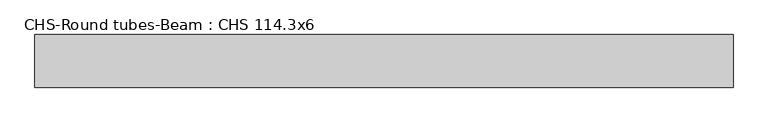
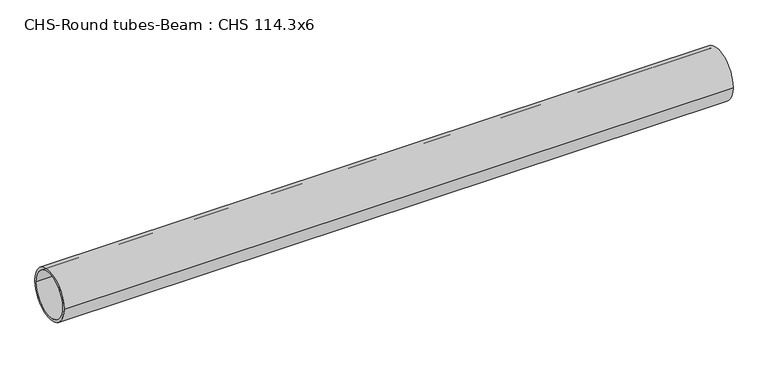
"""IFC4 building model written with IfcOpenShell, lengths in millimetres: beam geometry, CHS-Round tubes-Beam : CHS 114.3x6."""

from ifc_helpers import new_model, si_unit, point, frame, origin, origin_2d, place, context, project, spatial, circle_curve, trimmed, segment, composite_curve, outline, extrude, source, transform, mapped, element, save


def chs_round_tubes_beam_chs_114_3x6_d40c1f60(model_context):
    return source(origin(), model_context, "Body", "SweptSolid", [
        extrude(outline(composite_curve([segment(trimmed(circle_curve(origin_2d(), 57.15), [point((57.15, 0.0))], [point((-57.15, 0.0))], False, "CARTESIAN"), True, "CONTINUOUS"), segment(trimmed(circle_curve(origin_2d(), 57.15), [point((-57.15, 0.0))], [point((57.15, 0.0))], False, "CARTESIAN"), True, "CONTINUOUS")], self_intersect=False), holes=[composite_curve([segment(trimmed(circle_curve(origin_2d(), 51.15), [point((51.15, 0.0))], [point((-51.15, 0.0))], True, "CARTESIAN"), True, "CONTINUOUS"), segment(trimmed(circle_curve(origin_2d(), 51.15), [point((-51.15, 0.0))], [point((51.15, 0.0))], True, "CARTESIAN"), True, "CONTINUOUS")], self_intersect=False)]), frame((-752.0498956, 0.0, 0.0), z_axis=(1.0, 0.0, 0.0), x_axis=(0.0, 1.0, 0.0)), (0.0, 0.0, 1.0), 1517.5033434),
    ])


if __name__ == "__main__":
    model = new_model("IFC4")
    model_context = context("Model", 3, world=origin())
    ifc_project = project(units=[si_unit("LENGTHUNIT", "METRE", prefix="MILLI")], contexts=[model_context])
    site = spatial("IfcSite", under=ifc_project)
    building = spatial("IfcBuilding", under=site)
    placement = place(None, origin())
    chs_round_tubes_beam_chs_114_3x6_shape = chs_round_tubes_beam_chs_114_3x6_d40c1f60(model_context)
    element("IfcBeam", 1, ObjectType="CHS-Round tubes-Beam : CHS 114.3x6", at=placement, inside=building, context=model_context, shape_type="MappedRepresentation", body=[
        mapped(chs_round_tubes_beam_chs_114_3x6_shape, transform((0.0, 0.0, 0.0), x_axis=(1.0, 0.0, 0.0), y_axis=(0.0, 1.0, 0.0), z_axis=(0.0, 0.0, 1.0))),
    ])
    save(model, "model.ifc")
